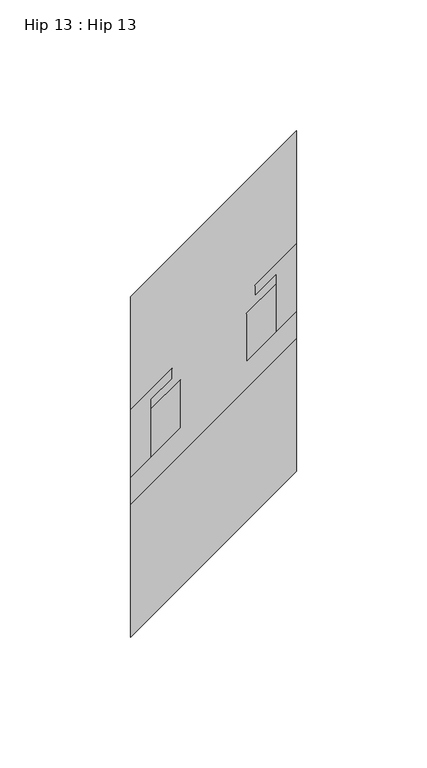
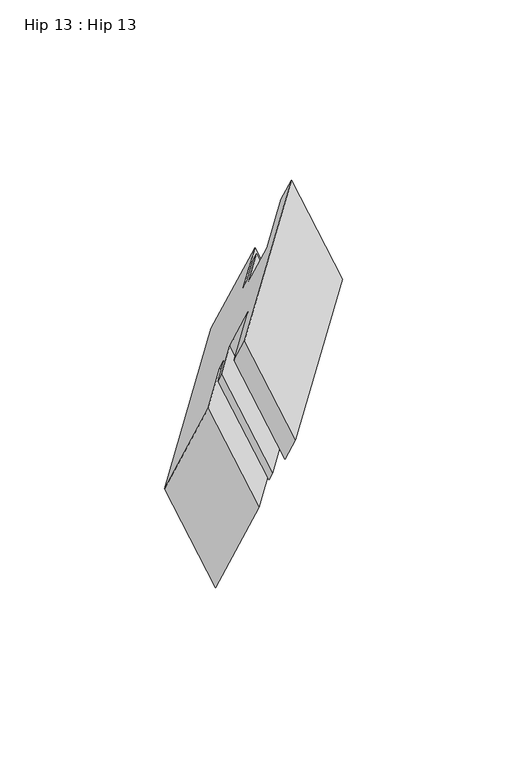
"""IFC4 building model written with IfcOpenShell, lengths in millimetres: proxy geometry, Hip 13 : Hip 13."""

from ifc_helpers import new_model, si_unit, origin, place, context, project, spatial, faceted_brep, source, transform, mapped, element, save


def hip_13_hip_13_6bdff976(model_context):
    return source(origin(), model_context, "Body", "Brep", [
        faceted_brep([(-10804.5192107, 5969.8251657, 646.9132135), (-10804.5192107, 5919.1576852, 617.66033), (-10741.0192107, 5982.6576852, 654.3220721), (-10741.0192107, 6033.3251657, 683.5749555), (-10741.0192107, 5992.9764352, 636.4494728), (-10741.0192107, 6043.6439157, 665.7023563), (-10760.0692107, 5973.9454852, 625.4179546), (-10760.0692107, 6024.6129657, 654.6708381), (-10760.0692107, 5992.3235759, 593.5861679), (-10760.0692107, 6042.9910563, 622.8390514), (-10748.9440107, 6003.4487759, 600.0093051), (-10748.9440107, 6054.1162563, 629.2621886), (-10748.9440107, 6007.0797852, 593.7202124), (-10748.9440107, 6057.7472657, 622.9730959), (-10756.8942107, 5999.1295852, 589.1301623), (-10756.8942107, 6049.7970657, 618.3830458), (-10756.8942107, 6003.0792852, 582.2890812), (-10756.8942107, 6053.7467657, 611.5419647), (-10741.0192107, 6018.9542852, 591.4545167), (-10741.0192107, 6069.6217657, 620.7074002), (-10741.0192107, 6062.2231852, 516.5105835), (-10741.0192107, 6112.8906657, 545.763467), (-10804.5192107, 5998.7231852, 479.8488415), (-10804.5192107, 6049.3906657, 509.1017249), (-10804.5192107, 5955.4542852, 554.7927746), (-10804.5192107, 6006.1217657, 584.0456581), (-10788.6442107, 5971.3292852, 563.9582102), (-10788.6442107, 6021.9967657, 593.2110936), (-10788.6442107, 5967.3795852, 570.7992912), (-10788.6442107, 6018.0470657, 600.0521747), (-10796.5944107, 5959.4293852, 566.2092411), (-10796.5944107, 6010.0968657, 595.4621246), (-10796.5944107, 5955.8479852, 572.4124079), (-10796.5944107, 6006.5154657, 601.6652914), (-10785.4692107, 5966.9731852, 578.8355451), (-10785.4692107, 6017.6406657, 608.0884286), (-10785.4692107, 5948.5454852, 610.7532578), (-10785.4692107, 5999.2129657, 640.0061412), (-10804.5192107, 5929.4954852, 599.7547351), (-10804.5192107, 5980.1629657, 629.0076186)], [[[0, 1, 2, 3]], [[3, 2, 4, 5]], [[5, 4, 6, 7]], [[7, 6, 8, 9]], [[9, 8, 10, 11]], [[11, 10, 12, 13]], [[13, 12, 14, 15]], [[15, 14, 16, 17]], [[17, 16, 18, 19]], [[19, 18, 20, 21]], [[21, 20, 22, 23]], [[23, 22, 24, 25]], [[25, 24, 26, 27]], [[27, 26, 28, 29]], [[29, 28, 30, 31]], [[31, 30, 32, 33]], [[33, 32, 34, 35]], [[35, 34, 36, 37]], [[37, 36, 38, 39]], [[1, 0, 39, 38]], [[2, 1, 38, 36, 34, 32, 30, 28, 26, 24, 22, 20, 18, 16, 14, 12, 10, 8, 6, 4]], [[0, 3, 5, 7, 9, 11, 13, 15, 17, 19, 21, 23, 25, 27, 29, 31, 33, 35, 37, 39]]]),
    ])


if __name__ == "__main__":
    model = new_model("IFC4")
    model_context = context("Model", 3, world=origin())
    ifc_project = project(units=[si_unit("LENGTHUNIT", "METRE", prefix="MILLI")], contexts=[model_context])
    site = spatial("IfcSite", under=ifc_project)
    building = spatial("IfcBuilding", under=site)
    placement = place(None, origin())
    hip_13_hip_13_shape = hip_13_hip_13_6bdff976(model_context)
    element("IfcBuildingElementProxy", 1, Name="Hip 13 : Hip 13", ObjectType="Hip 13 : Hip 13", at=placement, inside=building, context=model_context, shape_type="MappedRepresentation", body=[
        mapped(hip_13_hip_13_shape, transform((0.0, 0.0, 0.0), x_axis=(1.0, 0.0, 0.0), y_axis=(0.0, 1.0, 0.0), z_axis=(0.0, 0.0, 1.0))),
    ])
    save(model, "model.ifc")
